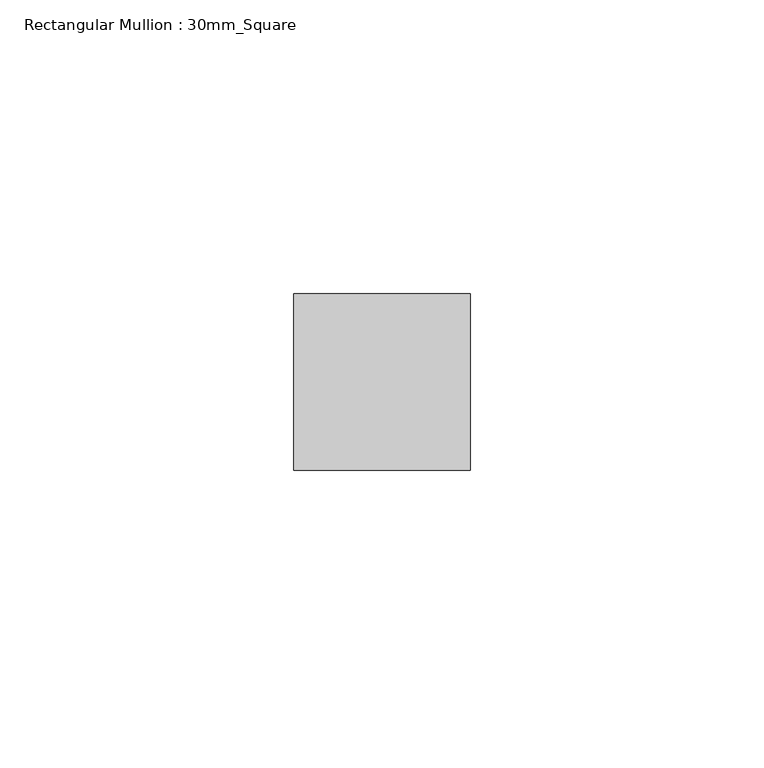
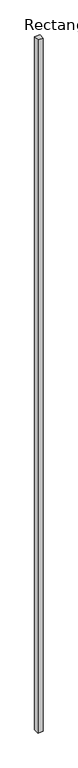
"""IFC4 building model written with IfcOpenShell, lengths in millimetres: member geometry, Rectangular Mullion : 30mm_Square."""

from ifc_helpers import new_model, si_unit, frame, origin, place, context, project, spatial, polyline, outline, extrude, source, transform, mapped, element, save


def rectangular_mullion_30mm_square_0c283f57(model_context):
    return source(origin(), model_context, "Body", "SweptSolid", [
        extrude(outline(polyline([(15.0, 15.0), (15.0, -15.0), (-15.0, -15.0), (-15.0, 15.0), (15.0, 15.0)])), frame((0.0, 0.0, -4050.0), z_axis=(0.0, 0.0, 1.0), x_axis=(1.0, 0.0, 0.0)), (0.0, 0.0, 1.0), 4050.0),
    ])


if __name__ == "__main__":
    model = new_model("IFC4")
    model_context = context("Model", 3, world=origin())
    ifc_project = project(units=[si_unit("LENGTHUNIT", "METRE", prefix="MILLI")], contexts=[model_context])
    site = spatial("IfcSite", under=ifc_project)
    building = spatial("IfcBuilding", under=site)
    placement = place(None, origin())
    rectangular_mullion_30mm_square_shape = rectangular_mullion_30mm_square_0c283f57(model_context)
    element("IfcMember", 1, ObjectType="Rectangular Mullion : 30mm_Square", at=placement, inside=building, context=model_context, shape_type="MappedRepresentation", body=[
        mapped(rectangular_mullion_30mm_square_shape, transform((0.0, 0.0, 0.0), x_axis=(1.0, 0.0, 0.0), y_axis=(0.0, 1.0, 0.0), z_axis=(0.0, 0.0, 1.0))),
    ])
    save(model, "model.ifc")
